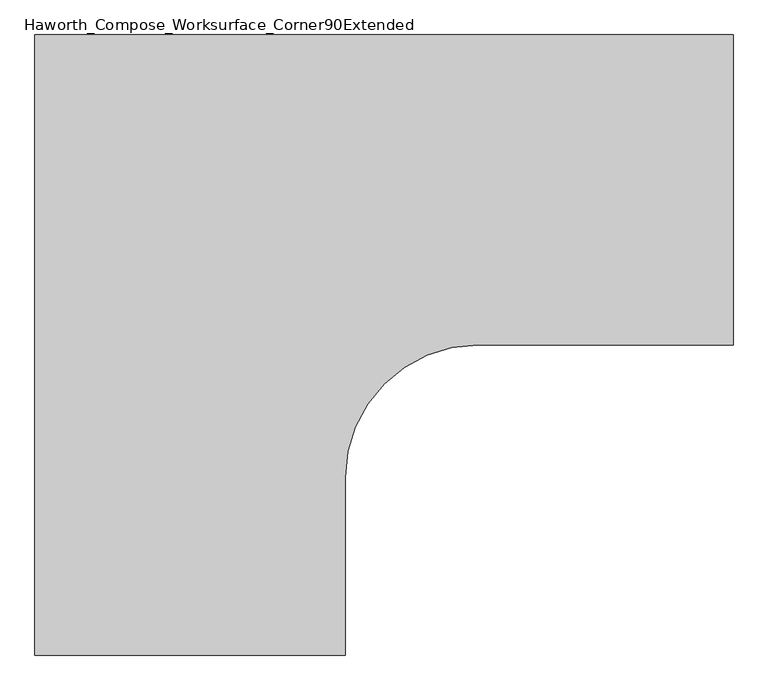
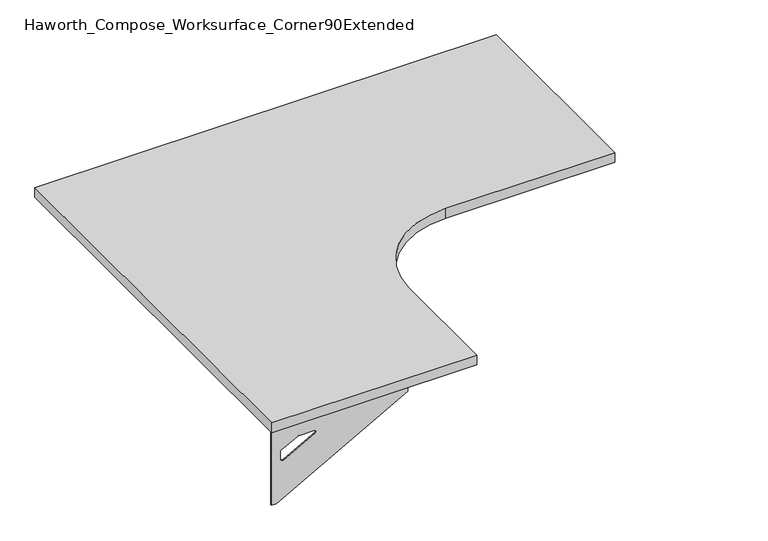
"""IFC4 building model written with IfcOpenShell, lengths in millimetres: furniture geometry, Haworth_Compose_Worksurface_Corner90Extended."""

from ifc_helpers import new_model, si_unit, point, frame, frame_2d, origin, place, context, project, spatial, polyline, circle_curve, trimmed, segment, composite_curve, outline, extrude, source, transform, mapped, element, save
from ifc_brep_helpers import plane_surface, revolved_surface, advanced_brep


def haworth_compose_worksurface_corner90extended_8d6df764(model_context):
    return source(origin(), model_context, "Body", "SolidModel", [
        advanced_brep(
        [(832.64375, 152.4, 475.45625), (832.64375, 136.525, 475.45625), (832.64375, -254.0, 691.7192568), (832.64375, -254.0, 704.05625), (832.64375, 136.525, 704.05625), (832.64375, 152.4, 704.05625), (832.64375, 69.090072, 665.95625), (832.64375, 25.4355284, 665.95625), (832.64375, 22.7564235, 656.3705539), (832.64375, 114.4776173, 605.5776439), (832.64375, 123.825, 611.1756969), (832.64375, 123.825, 634.6860246), (832.64375, 122.0730055, 637.5242776), (832.64375, 72.1663437, 665.1613425), (835.025, 152.4, 475.45625), (835.025, 152.4, 704.05625), (835.025, 136.525, 704.05625), (835.025, 136.525, 706.4375), (835.025, -254.0, 706.4375), (835.025, -254.0, 691.7192568), (835.025, 136.525, 475.45625), (835.025, 69.090072, 665.95625), (835.025, 72.1663437, 665.1613425), (835.025, 122.0730055, 637.5242776), (835.025, 123.825, 634.6860246), (835.025, 123.825, 611.1756969), (835.025, 114.4776173, 605.5776439), (835.025, 22.7564235, 656.3705539), (835.025, 25.4355284, 665.95625), (793.75, -254.0, 706.4375), (793.75, -254.0, 704.05625), (793.75, 136.525, 704.05625), (793.75, 136.525, 706.4375)],
        [
            (0, 1),
            (1, 2),
            (2, 3),
            (3, 4),
            (4, 5),
            (5, 0),
            (6, 7),
            (7, 8, circle_curve(frame((832.64375, 25.4355284, 660.7890106), z_axis=(1.0, 0.0, 0.0), x_axis=(0.0, -1.0, 0.0)), 5.1672394)),
            (8, 9),
            (9, 10, circle_curve(frame((832.64375, 117.475, 611.1756969), z_axis=(1.0, 0.0, 0.0), x_axis=(0.0, -1.0, 0.0)), 6.35)),
            (10, 11),
            (11, 12, circle_curve(frame((832.64375, 120.65, 634.6860246), z_axis=(1.0, 0.0, 0.0), x_axis=(0.0, -1.0, 0.0)), 3.175)),
            (12, 13),
            (13, 6, circle_curve(frame((832.64375, 69.090072, 659.60625), z_axis=(1.0, 0.0, 0.0), x_axis=(0.0, -1.0, 0.0)), 6.35)),
            (14, 15),
            (15, 16),
            (16, 17),
            (17, 18),
            (18, 19),
            (19, 20),
            (20, 14),
            (21, 22, circle_curve(frame((835.025, 69.090072, 659.60625), z_axis=(-1.0, 0.0, 0.0), x_axis=(0.0, -1.0, 0.0)), 6.35)),
            (22, 23),
            (23, 24, circle_curve(frame((835.025, 120.65, 634.6860246), z_axis=(-1.0, 0.0, 0.0), x_axis=(0.0, -1.0, 0.0)), 3.175)),
            (24, 25),
            (25, 26, circle_curve(frame((835.025, 117.475, 611.1756969), z_axis=(-1.0, 0.0, 0.0), x_axis=(0.0, -1.0, 0.0)), 6.35)),
            (26, 27),
            (27, 28, circle_curve(frame((835.025, 25.4355284, 660.7890106), z_axis=(-1.0, 0.0, 0.0), x_axis=(0.0, -1.0, 0.0)), 5.1672394)),
            (28, 21),
            (4, 16),
            (15, 5),
            (14, 0),
            (20, 1),
            (19, 2),
            (18, 29),
            (29, 30),
            (30, 3),
            (6, 21),
            (28, 7),
            (9, 26),
            (25, 10),
            (24, 11),
            (23, 12),
            (27, 8),
            (31, 4),
            (30, 31),
            (32, 29),
            (17, 32),
            (31, 32),
            (22, 13),
        ],
        [
            plane_surface(frame((832.64375, 152.4, 475.45625), z_axis=(-1.0, 0.0, 0.0), x_axis=(0.0, 1.0, 0.0))),
            plane_surface(frame((835.025, 152.4, 475.45625), z_axis=(1.0, 0.0, 0.0), x_axis=(0.0, -1.0, 0.0))),
            plane_surface(frame((835.025, -254.0, 704.05625), z_axis=(0.0, 0.0, 1.0), x_axis=(-1.0, 0.0, 0.0))),
            plane_surface(frame((835.025, 152.4, 704.05625), z_axis=(0.0, 1.0, 0.0), x_axis=(-1.0, 0.0, 0.0))),
            plane_surface(frame((835.025, 152.4, 475.45625), z_axis=(0.0, 0.0, -1.0), x_axis=(-1.0, 0.0, 0.0))),
            plane_surface(frame((835.025, 136.525, 475.45625), z_axis=(0.0, -0.4844522351345575, -0.8748177135112957), x_axis=(-1.0, 0.0, 0.0))),
            plane_surface(frame((835.025, -254.0, 691.7192568), z_axis=(0.0, -1.0, 0.0), x_axis=(-1.0, 0.0, 0.0))),
            plane_surface(frame((835.025, 69.090072, 665.95625), z_axis=(0.0, 0.0, -1.0), x_axis=(-1.0, 0.0, 0.0))),
            revolved_surface(polyline([(832.64375, 111.125, 611.1756969), (835.025, 111.125, 611.1756969)]), (835.025, 117.475, 611.1756969), (-1.0, 0.0, 0.0)),
            plane_surface(frame((835.025, 123.825, 611.1756969), z_axis=(0.0, -1.0, 0.0), x_axis=(-1.0, 0.0, 0.0))),
            revolved_surface(polyline([(832.64375, 117.47500000000001, 634.6860246), (835.025, 117.47500000000001, 634.6860246)]), (835.025, 120.65, 634.6860246), (-1.0, 0.0, 0.0)),
            revolved_surface(polyline([(832.64375, 20.268289, 660.7890106), (835.025, 20.268289, 660.7890106)]), (835.025, 25.4355284, 660.7890106), (-1.0, 0.0, 0.0)),
            plane_surface(frame((835.025, 136.525, 704.05625), z_axis=(0.0, 0.0, -1.0), x_axis=(-1.0, 0.0, 0.0))),
            plane_surface(frame((835.025, 136.525, 706.4375), z_axis=(0.0, 0.0, 1.0), x_axis=(1.0, 0.0, 0.0))),
            plane_surface(frame((793.75, 136.525, 706.4375), z_axis=(0.0, 1.0, 0.0), x_axis=(0.0, 0.0, -1.0))),
            plane_surface(frame((793.75, -254.0, 706.4375), z_axis=(-1.0, 0.0, 0.0), x_axis=(0.0, 0.0, -1.0))),
            plane_surface(frame((835.025, 22.7564235, 656.3705539), z_axis=(0.0, 0.4844522351341526, 0.8748177135115199), x_axis=(-1.0, 0.0, 0.0))),
            plane_surface(frame((835.025, 122.0730055, 637.5242776), z_axis=(0.0, -0.48445223513456226, -0.874817713511293), x_axis=(-1.0, 0.0, 0.0))),
            revolved_surface(polyline([(832.64375, 62.740072000000005, 659.60625), (835.025, 62.740072000000005, 659.60625)]), (835.025, 69.090072, 659.60625), (-1.0, 0.0, 0.0)),
        ],
        [
            (0, [[1, 2, 3, 4, 5, 6], [7, 8, 9, 10, 11, 12, 13, 14]]),
            (1, [[15, 16, 17, 18, 19, 20, 21], [22, 23, 24, 25, 26, 27, 28, 29]]),
            (2, [[-5, 30, -16, 31]]),
            (3, [[-31, -15, 32, -6]]),
            (4, [[-32, -21, 33, -1]]),
            (5, [[-33, -20, 34, -2]]),
            (6, [[-34, -19, 35, 36, 37, -3]]),
            (7, [[38, -29, 39, -7]]),
            (8, [[40, -26, 41, -10]]),
            (9, [[-41, -25, 42, -11]]),
            (10, [[-42, -24, 43, -12]]),
            (11, [[-39, -28, 44, -8]]),
            (12, [[45, -4, -37, 46]]),
            (13, [[47, -35, -18, 48]]),
            (14, [[-17, -30, -45, 49, -48]]),
            (15, [[-36, -47, -49, -46]]),
            (16, [[-44, -27, -40, -9]]),
            (17, [[-43, -23, 50, -13]]),
            (18, [[-50, -22, -38, -14]]),
        ],
    ),
        advanced_brep(
        [(-533.4, -1061.24375, 475.45625), (-533.4, -1061.24375, 704.05625), (-517.525, -1061.24375, 704.05625), (-127.0, -1061.24375, 704.05625), (-127.0, -1061.24375, 691.7192568), (-517.525, -1061.24375, 475.45625), (-450.090072, -1061.24375, 665.95625), (-453.1663437, -1061.24375, 665.1613425), (-503.0730055, -1061.24375, 637.5242776), (-504.825, -1061.24375, 634.6860246), (-504.825, -1061.24375, 611.1756969), (-495.4776173, -1061.24375, 605.5776439), (-403.7564235, -1061.24375, 656.3705539), (-406.4355284, -1061.24375, 665.95625), (-533.4, -1063.625, 475.45625), (-517.525, -1063.625, 475.45625), (-127.0, -1063.625, 691.7192568), (-127.0, -1063.625, 706.4375), (-517.525, -1063.625, 706.4375), (-517.525, -1063.625, 704.05625), (-533.4, -1063.625, 704.05625), (-450.090072, -1063.625, 665.95625), (-406.4355284, -1063.625, 665.95625), (-403.7564235, -1063.625, 656.3705539), (-495.4776173, -1063.625, 605.5776439), (-504.825, -1063.625, 611.1756969), (-504.825, -1063.625, 634.6860246), (-503.0730055, -1063.625, 637.5242776), (-453.1663437, -1063.625, 665.1613425), (-127.0, -1022.35, 704.05625), (-127.0, -1022.35, 706.4375), (-517.525, -1022.35, 704.05625), (-517.525, -1022.35, 706.4375)],
        [
            (0, 1),
            (1, 2),
            (2, 3),
            (3, 4),
            (4, 5),
            (5, 0),
            (6, 7, circle_curve(frame((-450.090072, -1061.24375, 659.60625), z_axis=(0.0, -1.0, 0.0), x_axis=(1.0, 0.0, 0.0)), 6.35)),
            (7, 8),
            (8, 9, circle_curve(frame((-501.65, -1061.24375, 634.6860246), z_axis=(0.0, -1.0, 0.0), x_axis=(1.0, 0.0, 0.0)), 3.175)),
            (9, 10),
            (10, 11, circle_curve(frame((-498.475, -1061.24375, 611.1756969), z_axis=(0.0, -1.0, 0.0), x_axis=(1.0, 0.0, 0.0)), 6.35)),
            (11, 12),
            (12, 13, circle_curve(frame((-406.4355284, -1061.24375, 660.7890106), z_axis=(0.0, -1.0, 0.0), x_axis=(1.0, 0.0, 0.0)), 5.1672394)),
            (13, 6),
            (14, 15),
            (15, 16),
            (16, 17),
            (17, 18),
            (18, 19),
            (19, 20),
            (20, 14),
            (21, 22),
            (22, 23, circle_curve(frame((-406.4355284, -1063.625, 660.7890106), z_axis=(0.0, 1.0, 0.0), x_axis=(1.0, 0.0, 0.0)), 5.1672394)),
            (23, 24),
            (24, 25, circle_curve(frame((-498.475, -1063.625, 611.1756969), z_axis=(0.0, 1.0, 0.0), x_axis=(1.0, 0.0, 0.0)), 6.35)),
            (25, 26),
            (26, 27, circle_curve(frame((-501.65, -1063.625, 634.6860246), z_axis=(0.0, 1.0, 0.0), x_axis=(1.0, 0.0, 0.0)), 3.175)),
            (27, 28),
            (28, 21, circle_curve(frame((-450.090072, -1063.625, 659.60625), z_axis=(0.0, 1.0, 0.0), x_axis=(1.0, 0.0, 0.0)), 6.35)),
            (1, 20),
            (19, 2),
            (0, 14),
            (5, 15),
            (4, 16),
            (3, 29),
            (29, 30),
            (30, 17),
            (13, 22),
            (21, 6),
            (10, 25),
            (24, 11),
            (9, 26),
            (8, 27),
            (12, 23),
            (31, 29),
            (2, 31),
            (32, 18),
            (30, 32),
            (32, 31),
            (7, 28),
        ],
        [
            plane_surface(frame((-533.4, -1061.24375, 475.45625), z_axis=(0.0, 1.0, 0.0), x_axis=(-1.0, 0.0, 0.0))),
            plane_surface(frame((-533.4, -1063.625, 475.45625), z_axis=(0.0, -1.0, 0.0), x_axis=(1.0, 0.0, 0.0))),
            plane_surface(frame((-127.0, -1063.625, 704.05625), z_axis=(0.0, 0.0, 1.0), x_axis=(0.0, 1.0, 0.0))),
            plane_surface(frame((-533.4, -1063.625, 704.05625), z_axis=(-1.0, 0.0, 0.0), x_axis=(0.0, 1.0, 0.0))),
            plane_surface(frame((-533.4, -1063.625, 475.45625), z_axis=(0.0, 0.0, -1.0), x_axis=(0.0, 1.0, 0.0))),
            plane_surface(frame((-517.525, -1063.625, 475.45625), z_axis=(0.4844522351345575, 0.0, -0.8748177135112957), x_axis=(0.0, 1.0, 0.0))),
            plane_surface(frame((-127.0, -1063.625, 691.7192568), z_axis=(1.0, 0.0, 0.0), x_axis=(0.0, 1.0, 0.0))),
            plane_surface(frame((-450.090072, -1063.625, 665.95625), z_axis=(0.0, 0.0, -1.0), x_axis=(0.0, 1.0, 0.0))),
            revolved_surface(polyline([(-492.125, -1061.24375, 611.1756969), (-492.125, -1063.625, 611.1756969)]), (-498.475, -1063.625, 611.1756969), (0.0, 1.0, 0.0)),
            plane_surface(frame((-504.825, -1063.625, 611.1756969), z_axis=(1.0, 0.0, 0.0), x_axis=(0.0, 1.0, 0.0))),
            revolved_surface(polyline([(-498.47499999999997, -1061.24375, 634.6860246), (-498.47499999999997, -1063.625, 634.6860246)]), (-501.65, -1063.625, 634.6860246), (0.0, 1.0, 0.0)),
            revolved_surface(polyline([(-401.268289, -1061.24375, 660.7890106), (-401.268289, -1063.625, 660.7890106)]), (-406.4355284, -1063.625, 660.7890106), (0.0, 1.0, 0.0)),
            plane_surface(frame((-517.525, -1063.625, 704.05625), z_axis=(0.0, 0.0, -1.0), x_axis=(0.0, 1.0, 0.0))),
            plane_surface(frame((-517.525, -1063.625, 706.4375), z_axis=(0.0, 0.0, 1.0), x_axis=(0.0, -1.0, 0.0))),
            plane_surface(frame((-517.525, -1022.35, 706.4375), z_axis=(-1.0, 0.0, 0.0), x_axis=(0.0, 0.0, -1.0))),
            plane_surface(frame((-127.0, -1022.35, 706.4375), z_axis=(0.0, 1.0, 0.0), x_axis=(0.0, 0.0, -1.0))),
            plane_surface(frame((-403.7564235, -1063.625, 656.3705539), z_axis=(-0.4844522351341526, 0.0, 0.8748177135115199), x_axis=(0.0, 1.0, 0.0))),
            plane_surface(frame((-503.0730055, -1063.625, 637.5242776), z_axis=(0.48445223513456226, 0.0, -0.874817713511293), x_axis=(0.0, 1.0, 0.0))),
            revolved_surface(polyline([(-443.740072, -1061.24375, 659.60625), (-443.740072, -1063.625, 659.60625)]), (-450.090072, -1063.625, 659.60625), (0.0, 1.0, 0.0)),
        ],
        [
            (0, [[1, 2, 3, 4, 5, 6], [7, 8, 9, 10, 11, 12, 13, 14]]),
            (1, [[15, 16, 17, 18, 19, 20, 21], [22, 23, 24, 25, 26, 27, 28, 29]]),
            (2, [[30, -20, 31, -2]]),
            (3, [[-1, 32, -21, -30]]),
            (4, [[-6, 33, -15, -32]]),
            (5, [[-5, 34, -16, -33]]),
            (6, [[-4, 35, 36, 37, -17, -34]]),
            (7, [[-14, 38, -22, 39]]),
            (8, [[-11, 40, -25, 41]]),
            (9, [[-10, 42, -26, -40]]),
            (10, [[-9, 43, -27, -42]]),
            (11, [[-13, 44, -23, -38]]),
            (12, [[45, -35, -3, 46]]),
            (13, [[47, -18, -37, 48]]),
            (14, [[-47, 49, -46, -31, -19]]),
            (15, [[-45, -49, -48, -36]]),
            (16, [[-12, -41, -24, -44]]),
            (17, [[-8, 50, -28, -43]]),
            (18, [[-7, -39, -29, -50]]),
        ],
    ),
        extrude(outline(composite_curve([segment(polyline([(-533.4, 152.4), (838.2, 152.4), (838.2, -457.2), (336.55, -457.2)]), True, "CONTINUOUS"), segment(trimmed(circle_curve(frame_2d((336.55, -717.55)), 260.35), [point((336.55, -457.2))], [point((76.2, -717.55))], True, "CARTESIAN"), True, "CONTINUOUS"), segment(polyline([(76.2, -717.55), (76.2, -1066.8), (-533.4, -1066.8), (-533.4, 152.4)]), True, "CONTINUOUS")], self_intersect=False)), frame((0.0, 0.0, 706.4375), z_axis=(0.0, 0.0, 1.0), x_axis=(1.0, 0.0, 0.0)), (0.0, 0.0, 1.0), 30.1625),
    ])


if __name__ == "__main__":
    model = new_model("IFC4")
    model_context = context("Model", 3, world=origin())
    ifc_project = project(units=[si_unit("LENGTHUNIT", "METRE", prefix="MILLI")], contexts=[model_context])
    site = spatial("IfcSite", under=ifc_project)
    building = spatial("IfcBuilding", under=site)
    placement = place(None, origin())
    haworth_compose_worksurface_corner90extended_shape = haworth_compose_worksurface_corner90extended_8d6df764(model_context)
    element("IfcFurniture", 1, ObjectType="Haworth_Compose_Worksurface_Corner90Extended", at=placement, inside=building, context=model_context, shape_type="MappedRepresentation", body=[
        mapped(haworth_compose_worksurface_corner90extended_shape, transform((0.0, 0.0, 0.0), x_axis=(1.0, 0.0, 0.0), y_axis=(0.0, 1.0, 0.0), z_axis=(0.0, 0.0, 1.0))),
    ])
    save(model, "model.ifc")
